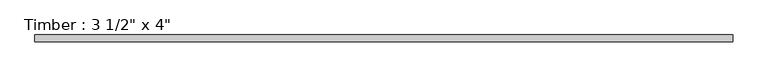
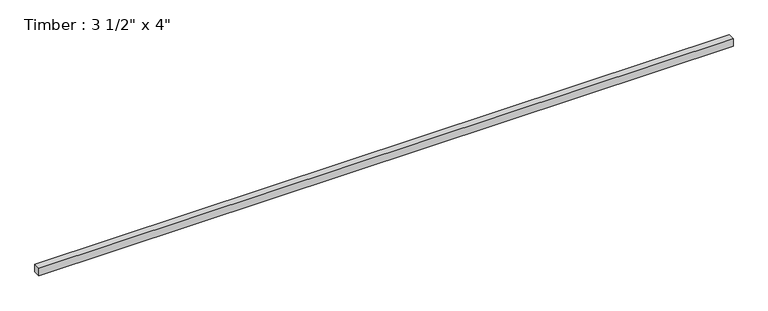
"""IFC4 building model written with IfcOpenShell, lengths in millimetres: beam geometry."""

from ifc_helpers import new_model, si_unit, frame, origin, place, context, project, spatial, polyline, outline, extrude, source, transform, mapped, element, save


def beam_49a2a6c8(model_context):
    return source(origin(), model_context, "Body", "SweptSolid", [
        extrude(outline(polyline([(4499.2736115, 44.45), (4499.2736115, -44.45), (-4499.2736115, -44.45), (-4499.2736115, 44.45), (4499.2736115, 44.45)])), frame((0.0, 0.0, -50.8), z_axis=(0.0, 0.0, 1.0), x_axis=(1.0, 0.0, 0.0)), (0.0, 0.0, 1.0), 101.6),
    ])


if __name__ == "__main__":
    model = new_model("IFC4")
    model_context = context("Model", 3, world=origin())
    ifc_project = project(units=[si_unit("LENGTHUNIT", "METRE", prefix="MILLI")], contexts=[model_context])
    site = spatial("IfcSite", under=ifc_project)
    building = spatial("IfcBuilding", under=site)
    placement = place(None, origin())
    beam_shape = beam_49a2a6c8(model_context)
    element("IfcBeam", 1, ObjectType="Timber : 3 1/2\" x 4\"", at=placement, inside=building, context=model_context, shape_type="MappedRepresentation", body=[
        mapped(beam_shape, transform((0.0, 0.0, 0.0), x_axis=(1.0, 0.0, 0.0), y_axis=(0.0, 1.0, 0.0), z_axis=(0.0, 0.0, 1.0))),
    ])
    save(model, "model.ifc")
